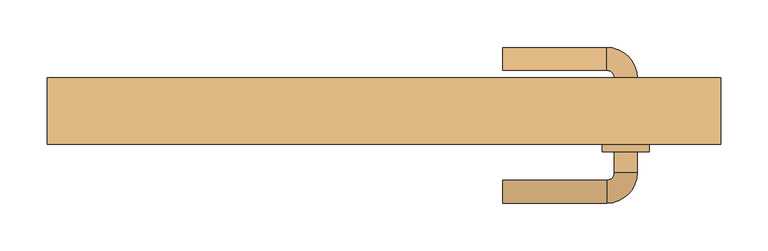
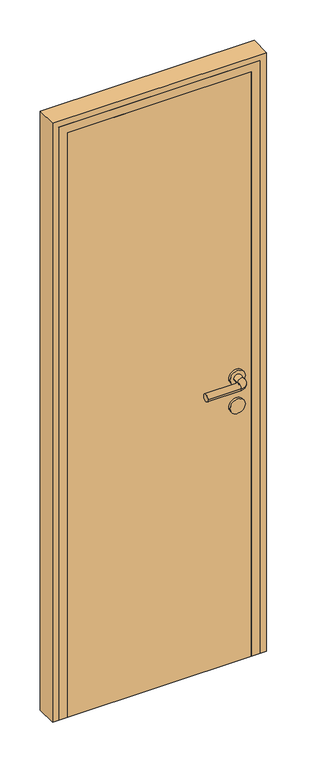
"""IFC4 building model written with IfcOpenShell, lengths in millimetres: door geometry."""

from ifc_helpers import new_model, si_unit, point, frame, frame_2d, origin, origin_with_axes, place, context, project, spatial, polyline, circle_curve, ellipse_curve, trimmed, segment, composite_curve, outline, extrude, faceted_brep, source, transform, mapped, element, save
from ifc_brep_helpers import plane_surface, cylinder_surface, revolved_surface, advanced_brep


def door_fa998236(model_context):
    return source(origin(), model_context, "Body", "SolidModel", [
        advanced_brep(
        [(125.0, -122.0, 1000.0), (125.0, -98.0, 1000.0), (235.0, -122.0, 1000.0), (235.0, -98.0, 1000.0), (267.0, -90.0, 1000.0), (243.0, -90.0, 1000.0), (267.0, -68.0, 1000.0), (243.0, -68.0, 1000.0), (267.0, 10.0, 1000.0), (243.0, 10.0, 1000.0), (243.0, -12.0, 1000.0), (267.0, -12.0, 1000.0), (235.0, 42.0, 1000.0), (235.0, 18.0, 1000.0), (125.0, 42.0, 1000.0), (125.0, 18.0, 1000.0), (230.0, -12.0, 1000.0), (280.0, -12.0, 1000.0), (230.0, -68.0, 1000.0), (280.0, -68.0, 1000.0)],
        [
            (0, 1, circle_curve(frame((125.0, -110.0, 1000.0), z_axis=(-1.0, 0.0, 0.0), x_axis=(0.0, 1.0, 0.0)), 12.0)),
            (1, 0, circle_curve(frame((125.0, -110.0, 1000.0), z_axis=(-1.0, 0.0, 0.0), x_axis=(0.0, 1.0, 0.0)), 12.0)),
            (0, 2),
            (2, 3, circle_curve(frame((235.0, -110.0, 1000.0), z_axis=(-1.0, 0.0, 0.0), x_axis=(0.0, 1.0, 0.0)), 12.0)),
            (3, 1),
            (3, 2, circle_curve(frame((235.0, -110.0, 1000.0), z_axis=(-1.0, 0.0, 0.0), x_axis=(0.0, 1.0, 0.0)), 12.0)),
            (2, 4, circle_curve(frame((235.0, -90.0, 1000.0), z_axis=(0.0, 0.0, 1.0), x_axis=(0.0, -1.0, 0.0)), 32.0)),
            (4, 5, circle_curve(frame((255.0, -90.0, 1000.0), z_axis=(0.0, -1.0, 0.0), x_axis=(-1.0, 0.0, 0.0)), 12.0)),
            (5, 3, circle_curve(frame((235.0, -90.0, 1000.0), z_axis=(0.0, 0.0, -1.0), x_axis=(0.0, -1.0, 0.0)), 8.0)),
            (5, 4, circle_curve(frame((255.0, -90.0, 1000.0), z_axis=(0.0, -1.0, 0.0), x_axis=(-1.0, 0.0, 0.0)), 12.0)),
            (4, 6),
            (6, 7, circle_curve(frame((255.0, -68.0, 1000.0), z_axis=(0.0, -1.0, 0.0), x_axis=(-1.0, 0.0, 0.0)), 12.0)),
            (7, 5),
            (8, 9, circle_curve(frame((255.0, 10.0, 1000.0), z_axis=(0.0, -1.0, 0.0), x_axis=(-1.0, 0.0, 0.0)), 12.0)),
            (9, 10),
            (10, 11, circle_curve(frame((255.0, -12.0, 1000.0), z_axis=(0.0, 1.0, 0.0), x_axis=(-1.0, 0.0, 0.0)), 12.0)),
            (11, 8),
            (7, 6, circle_curve(frame((255.0, -68.0, 1000.0), z_axis=(0.0, -1.0, 0.0), x_axis=(-1.0, 0.0, 0.0)), 12.0)),
            (9, 8, circle_curve(frame((255.0, 10.0, 1000.0), z_axis=(0.0, -1.0, 0.0), x_axis=(-1.0, 0.0, 0.0)), 12.0)),
            (11, 10, circle_curve(frame((255.0, -12.0, 1000.0), z_axis=(0.0, 1.0, 0.0), x_axis=(-1.0, 0.0, 0.0)), 12.0)),
            (8, 12, circle_curve(frame((235.0, 10.0, 1000.0), z_axis=(0.0, 0.0, 1.0), x_axis=(1.0, 0.0, 0.0)), 32.0)),
            (12, 13, circle_curve(frame((235.0, 30.0, 1000.0), z_axis=(1.0, 0.0, 0.0), x_axis=(0.0, -1.0, 0.0)), 12.0)),
            (13, 9, circle_curve(frame((235.0, 10.0, 1000.0), z_axis=(0.0, 0.0, -1.0), x_axis=(1.0, 0.0, 0.0)), 8.0)),
            (13, 12, circle_curve(frame((235.0, 30.0, 1000.0), z_axis=(1.0, 0.0, 0.0), x_axis=(0.0, -1.0, 0.0)), 12.0)),
            (14, 15, circle_curve(frame((125.0, 30.0, 1000.0), z_axis=(-1.0, 0.0, 0.0), x_axis=(0.0, -1.0, 0.0)), 12.0)),
            (15, 14, circle_curve(frame((125.0, 30.0, 1000.0), z_axis=(-1.0, 0.0, 0.0), x_axis=(0.0, -1.0, 0.0)), 12.0)),
            (12, 14),
            (15, 13),
            (16, 17, circle_curve(frame((255.0, -12.0, 1000.0), z_axis=(0.0, 1.0, 0.0), x_axis=(1.0, 0.0, 0.0)), 25.0)),
            (17, 16, circle_curve(frame((255.0, -12.0, 1000.0), z_axis=(0.0, 1.0, 0.0), x_axis=(1.0, 0.0, 0.0)), 25.0)),
            (18, 19, circle_curve(frame((255.0, -68.0, 1000.0), z_axis=(0.0, -1.0, 0.0), x_axis=(1.0, 0.0, 0.0)), 25.0)),
            (19, 18, circle_curve(frame((255.0, -68.0, 1000.0), z_axis=(0.0, -1.0, 0.0), x_axis=(1.0, 0.0, 0.0)), 25.0)),
            (16, 18),
            (19, 17),
        ],
        [
            plane_surface(frame((125.0, -110.0, 1000.0), z_axis=(-1.0, 0.0, 0.0), x_axis=(0.0, 0.0, 1.0))),
            cylinder_surface(frame((125.0, -110.0, 1000.0), z_axis=(-1.0, 0.0, 0.0), x_axis=(0.0, 1.0, 0.0)), 12.0),
            revolved_surface(trimmed(ellipse_curve(frame((235.0, -110.0, 1000.0), z_axis=(-1.0, 0.0, 0.0), x_axis=(0.0, 1.0, 0.0)), 12.0, 12.0), [point((235.0, -122.0, 1000.0))], [point((235.0, -98.0, 1000.0))], True, "CARTESIAN"), (235.0, -90.0, 1000.0), (0.0, 0.0, 1.0)),
            revolved_surface(trimmed(ellipse_curve(frame((235.0, -110.0, 1000.0), z_axis=(-1.0, 0.0, 0.0), x_axis=(0.0, 1.0, 0.0)), 12.0, 12.0), [point((235.0, -98.0, 1000.0))], [point((235.0, -122.0, 1000.0))], True, "CARTESIAN"), (235.0, -90.0, 1000.0), (0.0, 0.0, 1.0)),
            cylinder_surface(frame((255.0, -90.0, 1000.0), z_axis=(0.0, -1.0, 0.0), x_axis=(-1.0, 0.0, 0.0)), 12.0),
            revolved_surface(trimmed(ellipse_curve(frame((255.0, 10.0, 1000.0), z_axis=(0.0, -1.0, 0.0), x_axis=(-1.0, 0.0, 0.0)), 12.0, 12.0), [point((267.0, 10.0, 1000.0))], [point((243.0, 10.0, 1000.0))], True, "CARTESIAN"), (235.0, 10.0, 1000.0), (0.0, 0.0, 1.0)),
            revolved_surface(trimmed(ellipse_curve(frame((255.0, 10.0, 1000.0), z_axis=(0.0, -1.0, 0.0), x_axis=(-1.0, 0.0, 0.0)), 12.0, 12.0), [point((243.0, 10.0, 1000.0))], [point((267.0, 10.0, 1000.0))], True, "CARTESIAN"), (235.0, 10.0, 1000.0), (0.0, 0.0, 1.0)),
            plane_surface(frame((125.0, 30.0, 1000.0), z_axis=(-1.0, 0.0, 0.0), x_axis=(0.0, 0.0, 1.0))),
            cylinder_surface(frame((235.0, 30.0, 1000.0), z_axis=(1.0, 0.0, 0.0), x_axis=(0.0, -1.0, 0.0)), 12.0),
            plane_surface(frame((280.0, -12.0, 1000.0), z_axis=(0.0, 1.0, 0.0), x_axis=(0.0, 0.0, -1.0))),
            plane_surface(frame((280.0, -68.0, 1000.0), z_axis=(0.0, -1.0, 0.0), x_axis=(0.0, 0.0, 1.0))),
            cylinder_surface(frame((255.0, -12.0, 1000.0), z_axis=(0.0, -1.0, 0.0), x_axis=(1.0, 0.0, 0.0)), 25.0),
        ],
        [
            (0, [[1, 2]]),
            (1, [[-1, 3, 4, 5]]),
            (1, [[-2, -5, 6, -3]]),
            (2, [[-4, 7, 8, 9]]),
            (3, [[-6, -9, 10, -7]]),
            (4, [[-8, 11, 12, 13]]),
            (4, [[14, 15, 16, 17]]),
            (4, [[-10, -13, 18, -11]]),
            (4, [[19, -17, 20, -15]]),
            (5, [[-14, 21, 22, 23]]),
            (6, [[-19, -23, 24, -21]]),
            (7, [[25, 26]]),
            (8, [[-22, 27, -26, 28]]),
            (8, [[-24, -28, -25, -27]]),
            (9, [[29, 30], [-16, -20]]),
            (10, [[31, 32], [-12, -18]]),
            (11, [[-29, 33, -32, 34]]),
            (11, [[-30, -34, -31, -33]]),
        ],
    ),
        extrude(outline(composite_curve([segment(trimmed(circle_curve(frame_2d((900.0, 255.0)), 25.0), [point((900.0, 230.0))], [point((900.0, 280.0))], False, "CARTESIAN"), True, "CONTINUOUS"), segment(trimmed(circle_curve(frame_2d((900.0, 255.0)), 25.0), [point((900.0, 280.0))], [point((900.0, 230.0))], False, "CARTESIAN"), True, "CONTINUOUS")], self_intersect=False)), frame((0.0, -68.0, 0.0), z_axis=(0.0, 1.0, 0.0), x_axis=(0.0, 0.0, 1.0)), (0.0, 0.0, 1.0), 56.0),
        extrude(outline(polyline([(305.0, -20.0), (305.0, -60.0), (-305.0, -60.0), (-305.0, -20.0), (305.0, -20.0)])), origin_with_axes(), (0.0, 0.0, 1.0), 2050.0),
        extrude(outline(polyline([(0.0, 355.0), (2100.0, 355.0), (2100.0, -355.0), (0.0, -355.0), (0.0, -335.0), (2080.0, -335.0), (2080.0, 335.0), (0.0, 335.0), (0.0, 355.0)])), frame((0.0, -60.0, 0.0), z_axis=(0.0, 1.0, 0.0), x_axis=(0.0, 0.0, 1.0)), (0.0, 0.0, 1.0), 70.0),
        faceted_brep([(-335.0, 10.0, 0.0), (-295.0, 10.0, 0.0), (-295.0, -20.0, 0.0), (-305.0, -20.0, 0.0), (-305.0, -60.0, 0.0), (-335.0, -60.0, 0.0), (-335.0, -60.0, 2080.0), (-335.0, 10.0, 2080.0), (-305.0, -60.0, 2050.0), (305.0, -60.0, 2050.0), (305.0, -60.0, 0.0), (335.0, -60.0, 0.0), (335.0, -60.0, 2080.0), (-305.0, -20.0, 2050.0), (-295.0, -20.0, 2040.0), (295.0, -20.0, 2040.0), (295.0, -20.0, 0.0), (305.0, -20.0, 0.0), (305.0, -20.0, 2050.0), (-295.0, 10.0, 2040.0), (335.0, 10.0, 2080.0), (335.0, 10.0, 0.0), (295.0, 10.0, 0.0), (295.0, 10.0, 2040.0)], [[[0, 1, 2, 3, 4, 5]], [[5, 6, 7, 0]], [[4, 8, 9, 10, 11, 12, 6, 5]], [[3, 13, 8, 4]], [[2, 14, 15, 16, 17, 18, 13, 3]], [[1, 19, 14, 2]], [[0, 7, 20, 21, 22, 23, 19, 1]], [[6, 12, 20, 7]], [[13, 18, 9, 8]], [[19, 23, 15, 14]], [[21, 11, 10, 17, 16, 22]], [[12, 11, 21, 20]], [[18, 17, 10, 9]], [[23, 22, 16, 15]]]),
    ])


if __name__ == "__main__":
    model = new_model("IFC4")
    model_context = context("Model", 3, world=origin())
    ifc_project = project(units=[si_unit("LENGTHUNIT", "METRE", prefix="MILLI")], contexts=[model_context])
    site = spatial("IfcSite", under=ifc_project)
    building = spatial("IfcBuilding", under=site)
    placement = place(None, origin())
    door_shape = door_fa998236(model_context)
    element("IfcDoor", 1, at=placement, inside=building, context=model_context, shape_type="MappedRepresentation", body=[
        mapped(door_shape, transform((0.0, 0.0, 0.0), x_axis=(1.0, 0.0, 0.0), y_axis=(0.0, 1.0, 0.0), z_axis=(0.0, 0.0, 1.0))),
    ])
    save(model, "model.ifc")
